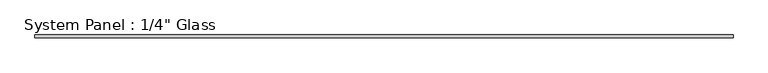
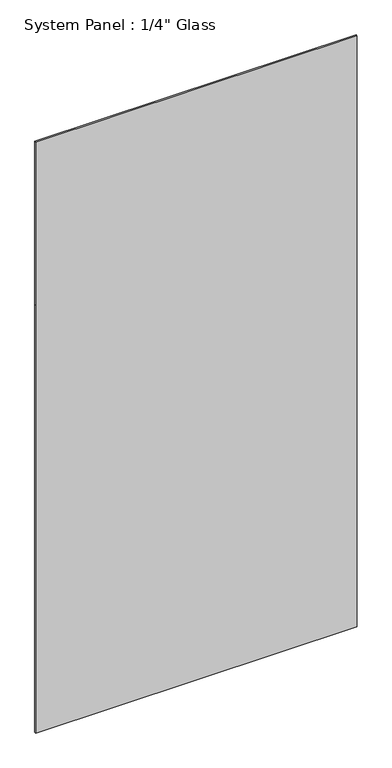
"""IFC4 building model written with IfcOpenShell, lengths in millimetres: plate geometry."""

from ifc_helpers import new_model, si_unit, frame, origin, place, context, project, spatial, polyline, outline, extrude, source, transform, mapped, element, save


def plate_2d648e04(model_context):
    return source(origin(), model_context, "Body", "SweptSolid", [
        extrude(outline(polyline([(0.0, -762.0), (0.0, 762.0), (2143.125, 762.0), (2959.1, 762.0), (2959.1, -762.0), (2143.125, -762.0), (0.0, -762.0)])), frame((0.0, -3.175, 0.0), z_axis=(0.0, 1.0, 0.0), x_axis=(0.0, 0.0, 1.0)), (0.0, 0.0, 1.0), 6.35),
    ])


if __name__ == "__main__":
    model = new_model("IFC4")
    model_context = context("Model", 3, world=origin())
    ifc_project = project(units=[si_unit("LENGTHUNIT", "METRE", prefix="MILLI")], contexts=[model_context])
    site = spatial("IfcSite", under=ifc_project)
    building = spatial("IfcBuilding", under=site)
    placement = place(None, origin())
    plate_shape = plate_2d648e04(model_context)
    element("IfcPlate", 1, ObjectType="System Panel : 1/4\" Glass", at=placement, inside=building, context=model_context, shape_type="MappedRepresentation", body=[
        mapped(plate_shape, transform((0.0, 0.0, 0.0), x_axis=(1.0, 0.0, 0.0), y_axis=(0.0, 1.0, 0.0), z_axis=(0.0, 0.0, 1.0))),
    ])
    save(model, "model.ifc")
